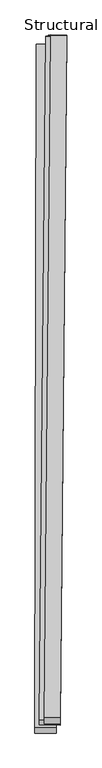
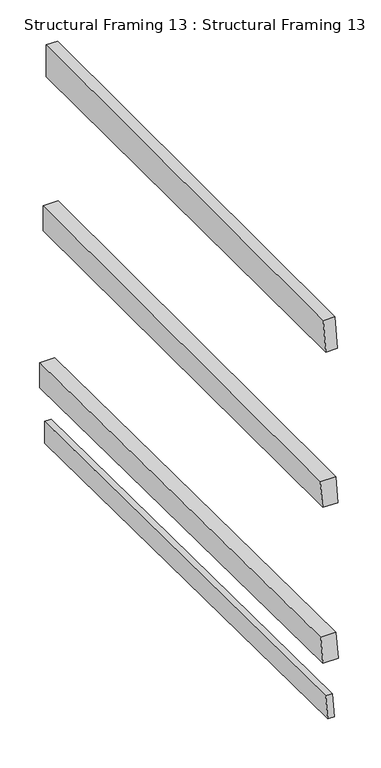
"""IFC4 building model written with IfcOpenShell, lengths in millimetres: beam geometry, Structural Framing 13 : Structural Framing 13."""

import ifcopenshell
import ifcopenshell.guid

model = None  # the IFC model being written
_history = None  # IfcOwnerHistory: only IFC2X3 demands one
_inside = {}  # id of a spatial element -> (the spatial element, [elements in it])
_under = {}  # id of a project, library or spatial element -> (it, [spatial elements below it])
_declared = {}  # id of a project -> (the project, [libraries it declares])
_typed = {}  # id of a type object -> (the type object, [elements of that type])
_made_of = {}  # id of a material, layer set ... -> (it, [elements and type objects made of it])


def new_model(schema):
    """Start an empty IFC model of exactly this schema.

    Asked for "IFC4X3", IfcOpenShell would pick the latest addendum, in which some entities
    have other attributes; the version numbers below select the first issue.
    IFC2X3 requires an IfcOwnerHistory on every rooted entity: one is made here for all.
    """
    global model, _history
    if schema == "IFC4X3":
        model = ifcopenshell.file(schema_version=(4, 3, 0, 0))
    else:
        model = ifcopenshell.file(schema=schema)
    _inside.clear()
    _under.clear()
    _declared.clear()
    _typed.clear()
    _made_of.clear()
    _history = None
    if model.schema == "IFC2X3":
        org = make("IfcOrganization", Name="unknown")
        user = make(
            "IfcPersonAndOrganization",
            ThePerson=make("IfcPerson", FamilyName="unknown"),
            TheOrganization=org,
        )
        app = make(
            "IfcApplication",
            ApplicationDeveloper=org,
            Version="unknown",
            ApplicationFullName="unknown",
            ApplicationIdentifier="unknown",
        )
        _history = make(
            "IfcOwnerHistory",
            OwningUser=user,
            OwningApplication=app,
            ChangeAction="ADDED",
            CreationDate=0,
        )
    return model


def make(cls, **values):
    """One entity of the class cls with the attributes given. An attribute that is None is left unset."""
    return model.create_entity(
        cls, **{name: value for name, value in values.items() if value is not None}
    )


def rooted(cls, **values):
    """An entity with a GlobalId (a new one), such as an element, a storey or a relation."""
    return make(cls, GlobalId=ifcopenshell.guid.new(), OwnerHistory=_history, **values)


def si_unit(unit_type, name, prefix=None):
    """IfcSIUnit, for example si_unit("LENGTHUNIT", "METRE", prefix="MILLI")."""
    return make("IfcSIUnit", UnitType=unit_type, Prefix=prefix, Name=name)


def assignment(units):
    """IfcUnitAssignment: the units of a project."""
    return None if units is None else make("IfcUnitAssignment", Units=units)


def point(xyz):
    """IfcCartesianPoint."""
    return None if xyz is None else make("IfcCartesianPoint", Coordinates=xyz)


def direction(xyz):
    """IfcDirection."""
    return None if xyz is None else make("IfcDirection", DirectionRatios=xyz)


def frame(location, z_axis=None, x_axis=None):
    """IfcAxis2Placement3D, a coordinate frame: its origin and axes. An axis left out is left unset."""
    return make(
        "IfcAxis2Placement3D",
        Location=point(location),
        Axis=direction(z_axis),
        RefDirection=direction(x_axis),
    )


def origin():
    """The frame at (0, 0, 0) with its axes left unset."""
    return frame((0.0, 0.0, 0.0))


def place(relative_to, where):
    """IfcLocalPlacement: puts the frame where relative to a parent placement (None: the world)."""
    return make(
        "IfcLocalPlacement", PlacementRelTo=relative_to, RelativePlacement=where
    )


def context(
    kind, dimensions, precision=None, world=None, true_north=None, identifier=None
):
    """IfcGeometricRepresentationContext, for example the 3D "Model" context."""
    return make(
        "IfcGeometricRepresentationContext",
        ContextIdentifier=identifier,
        ContextType=kind,
        CoordinateSpaceDimension=dimensions,
        Precision=precision,
        WorldCoordinateSystem=world,
        TrueNorth=true_north,
    )


def project(units=None, contexts=None):
    """IfcProject with its units and contexts."""
    return rooted(
        "IfcProject",
        Name="project",
        RepresentationContexts=contexts,
        UnitsInContext=assignment(units),
    )


def spatial(cls, under=None, at=None, **own):
    """A site, building, storey or space (cls), placed at a placement, below another one or the project."""
    s = rooted(cls, ObjectPlacement=at, **own)
    if under is not None:
        _under.setdefault(under.id(), (under, []))[1].append(s)
    return s


def polyline(points):
    """IfcPolyline through the points."""
    return make("IfcPolyline", Points=[point(p) for p in points])


def outline(outer, holes=None, kind="AREA"):
    """IfcArbitraryClosedProfileDef: a profile drawn as a closed curve; with holes, ...WithVoids."""
    if holes is None:
        return make("IfcArbitraryClosedProfileDef", ProfileType=kind, OuterCurve=outer)
    return make(
        "IfcArbitraryProfileDefWithVoids",
        ProfileType=kind,
        OuterCurve=outer,
        InnerCurves=holes,
    )


def extrude(swept, where, along, depth):
    """IfcExtrudedAreaSolid: the profile swept, set in the frame where, extruded along a direction by depth."""
    return make(
        "IfcExtrudedAreaSolid",
        SweptArea=swept,
        Position=where,
        ExtrudedDirection=direction(along),
        Depth=depth,
    )


def shape(context_of_items, identifier, shape_type, items):
    """IfcShapeRepresentation: the items that make up one representation, for example the "Body"."""
    return make(
        "IfcShapeRepresentation",
        ContextOfItems=context_of_items,
        RepresentationIdentifier=identifier,
        RepresentationType=shape_type,
        Items=items,
    )


def source(mapping_origin, context_of_items, identifier, shape_type, items):
    """IfcRepresentationMap: a shape defined once, which mapped items show again and again."""
    return make(
        "IfcRepresentationMap",
        MappingOrigin=mapping_origin,
        MappedRepresentation=shape(context_of_items, identifier, shape_type, items),
    )


def transform(
    local_origin,
    x_axis=None,
    y_axis=None,
    z_axis=None,
    scale=None,
    scale2=None,
    scale3=None,
    uniform=True,
):
    """IfcCartesianTransformationOperator3D, or its non-uniform kind. x_axis, y_axis, z_axis: its Axis1, 2, 3."""
    if uniform:
        return make(
            "IfcCartesianTransformationOperator3D",
            Axis1=direction(x_axis),
            Axis2=direction(y_axis),
            LocalOrigin=point(local_origin),
            Scale=scale,
            Axis3=direction(z_axis),
        )
    return make(
        "IfcCartesianTransformationOperator3DnonUniform",
        Axis1=direction(x_axis),
        Axis2=direction(y_axis),
        LocalOrigin=point(local_origin),
        Scale=scale,
        Axis3=direction(z_axis),
        Scale2=scale2,
        Scale3=scale3,
    )


def mapped(mapping_source, mapping_target):
    """IfcMappedItem: shows the shape of a source again, moved by a transform."""
    return make(
        "IfcMappedItem", MappingSource=mapping_source, MappingTarget=mapping_target
    )


def made_of(thing, what):
    """Note that an element or type object is made of a material, layer set ...; save() writes the relation."""
    if what is not None:
        _made_of.setdefault(what.id(), (what, []))[1].append(thing)
    return thing


def element(
    cls,
    number,
    at=None,
    inside=None,
    cuts=None,
    type_object=None,
    material=None,
    context=None,
    identifier="Body",
    shape_type=None,
    held_by="IfcProductDefinitionShape",
    body=None,
    shapes=None,
    **own,
):
    """One element of the class cls, such as IfcWall. Its Tag is "e" and its number.

    at: its placement. inside: the storey or other place that contains it. cuts: it is an
    opening in that element (IfcRelVoidsElement). A single representation is given by context,
    identifier, shape_type and body (its items); several are given by shapes. held_by: the class
    of the entity that holds the representations. save() writes the other relations.
    """
    e = rooted(cls, Tag="e%d" % number, ObjectPlacement=at, **own)
    if body is not None:
        shapes = [shape(context, identifier, shape_type, body)]
    if shapes is not None:
        e.Representation = make(held_by, Representations=shapes)
    if inside is not None:
        _inside.setdefault(inside.id(), (inside, []))[1].append(e)
    if cuts is not None:
        rooted(
            "IfcRelVoidsElement", RelatingBuildingElement=cuts, RelatedOpeningElement=e
        )
    if type_object is not None:
        _typed.setdefault(type_object.id(), (type_object, []))[1].append(e)
    return made_of(e, material)


def aggregate(whole, parts):
    """IfcRelAggregates: a whole, such as a stair, and the parts it consists of."""
    return rooted("IfcRelAggregates", RelatingObject=whole, RelatedObjects=parts)


def save(model, path):
    """Write the relations noted so far, then the file.

    IfcRelAggregates (storeys below a building ...), IfcRelContainedInSpatialStructure (elements
    in a storey), IfcRelDefinesByType, IfcRelAssociatesMaterial and IfcRelDeclares: one each for
    every whole, place, type object, material and project.
    """
    for whole, parts in _under.values():
        aggregate(whole, parts)
    for where, things in _inside.values():
        rooted(
            "IfcRelContainedInSpatialStructure",
            RelatedElements=things,
            RelatingStructure=where,
        )
    for kind, things in _typed.values():
        rooted("IfcRelDefinesByType", RelatedObjects=things, RelatingType=kind)
    for what, things in _made_of.values():
        rooted("IfcRelAssociatesMaterial", RelatedObjects=things, RelatingMaterial=what)
    for by, libraries in _declared.values():
        rooted("IfcRelDeclares", RelatingContext=by, RelatedDefinitions=libraries)
    model.write(path)


def structural_framing_13_structural_framing_13_057e7e03(model_context):
    return source(origin(), model_context, "Body", "SweptSolid", [
        extrude(outline(polyline([(1695.5534385, 1e-07), (1694.0864551, -80.4069878), (12.3668915, -75.8904474), (2.2791693, 1e-07), (1695.5534385, 1e-07)])), frame((-40787.208008, 34839.3254542, 109096.6871107), z_axis=(-0.9999984393639271, 0.0017667115526810752, 0.0), x_axis=(0.0017664796356188833, 0.999867169095217, -0.016202583596881284)), (0.0, 0.0, 1.0), 22.0709651),
        extrude(outline(polyline([(1695.5738335, 0.0), (1693.9244293, -90.4056751), (12.2048657, -85.8891347), (0.7880701, 0.0), (1695.5738335, 0.0)])), frame((-40787.2474817, 34816.9824322, 109323.7713998), z_axis=(-0.999998439363927, 0.001766711552681075, 0.0), x_axis=(0.0017664796356188833, 0.999867169095217, -0.01620258359687652)), (0.0, 0.0, 1.0), 51.9579483),
        extrude(outline(polyline([(1695.5738334, -1e-07), (1693.9244293, -90.4056752), (12.2048657, -85.8891348), (0.78807, -1e-07), (1695.5738334, -1e-07)])), frame((-40777.164211, 34836.5241518, 109873.3783921), z_axis=(-0.9999530604350151, 0.009689010612388617, 0.0), x_axis=(0.009687738731377052, 0.9998217961232186, -0.016202583596876548)), (0.0, 0.0, 1.0), 51.9579483),
        extrude(outline(polyline([(1695.6044279, 0.0), (1693.1252285, -115.3950134), (12.8648085, -105.4404237), (0.0, 0.0), (1695.6044279, 0.0)])), frame((-40777.1319872, 34839.849801, 110431.9594362), z_axis=(-0.9999530604350152, 0.009689010612388619, 0.0), x_axis=(0.009687179489947463, 0.9997640796853479, -0.019440769646258304)), (0.0, 0.0, 1.0), 39.407783),
    ])


if __name__ == "__main__":
    model = new_model("IFC4")
    model_context = context("Model", 3, world=origin())
    ifc_project = project(units=[si_unit("LENGTHUNIT", "METRE", prefix="MILLI")], contexts=[model_context])
    site = spatial("IfcSite", under=ifc_project)
    building = spatial("IfcBuilding", under=site)
    placement = place(None, origin())
    structural_framing_13_structural_framing_13_shape = structural_framing_13_structural_framing_13_057e7e03(model_context)
    element("IfcBeam", 1, ObjectType="Structural Framing 13 : Structural Framing 13", at=placement, inside=building, context=model_context, shape_type="MappedRepresentation", body=[
        mapped(structural_framing_13_structural_framing_13_shape, transform((0.0, 0.0, 0.0), x_axis=(1.0, 0.0, 0.0), y_axis=(0.0, 1.0, 0.0), z_axis=(0.0, 0.0, 1.0))),
    ])
    save(model, "model.ifc")
